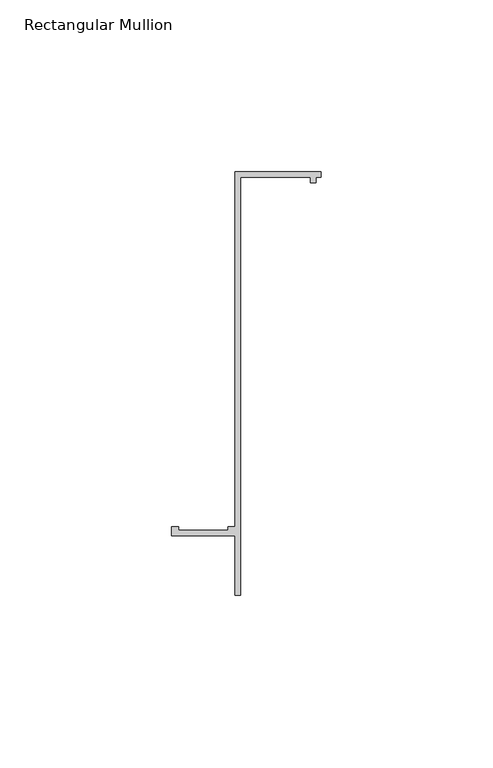
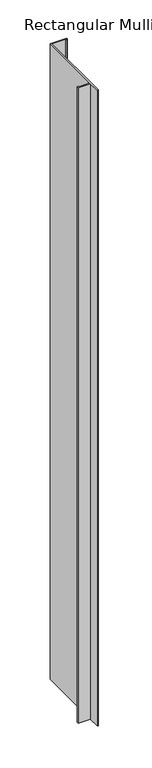
"""IFC4 building model written with IfcOpenShell, lengths in millimetres: member geometry, Rectangular Mullion."""

from ifc_helpers import new_model, si_unit, frame, origin, place, context, project, spatial, polyline, outline, extrude, source, transform, mapped, element, save


def rectangular_mullion_0c912802(model_context):
    return source(origin(), model_context, "Body", "SweptSolid", [
        extrude(outline(polyline([(2e-07, 55.1996656), (0.0, 53.5996656), (-1.4, 53.5996657), (-1.4000002, 51.9996657), (-3.0000002, 51.9996659), (-3.0, 53.5996659), (-23.4, 53.5996679), (-23.4000119, -68.0000321), (-25.0000119, -68.000032), (-25.0000102, -50.600032), (-43.4000102, -50.6000302), (-43.40001, -48.0000302), (-41.4017469, -48.0000304), (-41.4017469, -49.0000304), (-27.0000101, -49.0000318), (-27.0000101, -48.0000318), (-25.00001, -48.000032), (-24.9999998, 55.199668), (2e-07, 55.1996656)])), frame((0.0, 0.0, -1019.2846054), z_axis=(0.0, 0.0, 1.0), x_axis=(1.0, 0.0, 0.0)), (0.0, 0.0, 1.0), 1019.2846054),
    ])


if __name__ == "__main__":
    model = new_model("IFC4")
    model_context = context("Model", 3, world=origin())
    ifc_project = project(units=[si_unit("LENGTHUNIT", "METRE", prefix="MILLI")], contexts=[model_context])
    site = spatial("IfcSite", under=ifc_project)
    building = spatial("IfcBuilding", under=site)
    placement = place(None, origin())
    rectangular_mullion_shape = rectangular_mullion_0c912802(model_context)
    element("IfcMember", 1, ObjectType="Rectangular Mullion", at=placement, inside=building, context=model_context, shape_type="MappedRepresentation", body=[
        mapped(rectangular_mullion_shape, transform((0.0, 0.0, 0.0), x_axis=(1.0, 0.0, 0.0), y_axis=(0.0, 1.0, 0.0), z_axis=(0.0, 0.0, 1.0))),
    ])
    save(model, "model.ifc")
